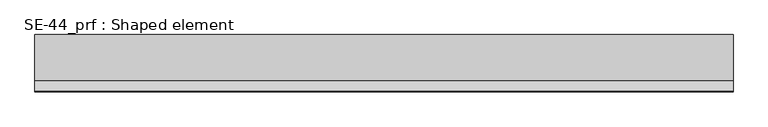
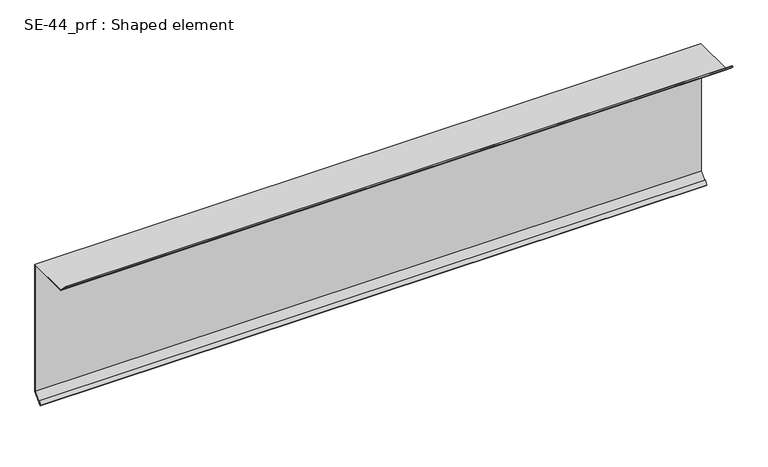
"""IFC4 building model written with IfcOpenShell, lengths in millimetres: proxy geometry, SE-44_prf : Shaped element."""

from ifc_helpers import new_model, si_unit, origin, place, context, project, spatial, faceted_brep, source, transform, mapped, element, save


def se_44_prf_shaped_element_a21d9fcc(model_context):
    return source(origin(), model_context, "Body", "Brep", [
        faceted_brep([(1500.0, 3.0, 0.0), (1500.0, 4.0, 0.0), (1500.0, 4.0, 3.0), (1500.0, -96.0, 3.0), (1500.0, -117.2132034, 24.2132034), (1500.0, -119.3345238, 22.0918831), (1500.0, -112.263456, 15.0208153), (1500.0, -111.5563492, 15.7279221), (1500.0, -117.9203102, 22.0918831), (1500.0, -117.2132034, 22.7989899), (1500.0, -96.4142136, 2.0), (1500.0, 3.0, 2.0), (1500.0, 3.0, -299.5857864), (1500.0, -17.2132034, -319.7989899), (1500.0, -17.9203102, -319.0918831), (1500.0, -11.5563492, -312.7279221), (1500.0, -12.263456, -312.0208153), (1500.0, -19.3345238, -319.0918831), (1500.0, -17.2132034, -321.2132034), (1500.0, 4.0, -300.0), (0.0, 4.0, 0.0), (0.0, 3.0, 0.0), (0.0, 3.0, 2.0), (0.0, -96.4142136, 2.0), (0.0, -117.2132034, 22.7989899), (0.0, -117.9203102, 22.0918831), (0.0, -111.5563492, 15.7279221), (0.0, -112.263456, 15.0208153), (0.0, -119.3345238, 22.0918831), (0.0, -117.2132034, 24.2132034), (0.0, -96.0, 3.0), (0.0, 4.0, 3.0), (0.0, 4.0, -300.0), (0.0, -17.2132034, -321.2132034), (0.0, -19.3345238, -319.0918831), (0.0, -12.263456, -312.0208153), (0.0, -11.5563492, -312.7279221), (0.0, -17.9203102, -319.0918831), (0.0, -17.2132034, -319.7989899), (0.0, 3.0, -299.5857864)], [[[0, 1, 2, 3, 4, 5, 6, 7, 8, 9, 10, 11]], [[1, 0, 12, 13, 14, 15, 16, 17, 18, 19]], [[20, 21, 22, 23, 24, 25, 26, 27, 28, 29, 30, 31]], [[21, 20, 32, 33, 34, 35, 36, 37, 38, 39]], [[4, 3, 30, 29]], [[3, 2, 31, 30]], [[11, 10, 23, 22]], [[10, 9, 24, 23]], [[9, 8, 25, 24]], [[8, 7, 26, 25]], [[7, 6, 27, 26]], [[6, 5, 28, 27]], [[5, 4, 29, 28]], [[2, 1, 19, 32, 20, 31]], [[19, 18, 33, 32]], [[18, 17, 34, 33]], [[17, 16, 35, 34]], [[16, 15, 36, 35]], [[15, 14, 37, 36]], [[14, 13, 38, 37]], [[13, 12, 39, 38]], [[0, 11, 22, 21, 39, 12]]]),
    ])


if __name__ == "__main__":
    model = new_model("IFC4")
    model_context = context("Model", 3, world=origin())
    ifc_project = project(units=[si_unit("LENGTHUNIT", "METRE", prefix="MILLI")], contexts=[model_context])
    site = spatial("IfcSite", under=ifc_project)
    building = spatial("IfcBuilding", under=site)
    placement = place(None, origin())
    se_44_prf_shaped_element_shape = se_44_prf_shaped_element_a21d9fcc(model_context)
    element("IfcBuildingElementProxy", 1, Name="SE-44_prf : Shaped element", ObjectType="SE-44_prf : Shaped element", at=placement, inside=building, context=model_context, shape_type="MappedRepresentation", body=[
        mapped(se_44_prf_shaped_element_shape, transform((0.0, 0.0, 0.0), x_axis=(1.0, 0.0, 0.0), y_axis=(0.0, 1.0, 0.0), z_axis=(0.0, 0.0, 1.0))),
    ])
    save(model, "model.ifc")
